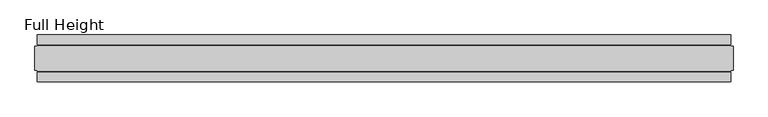
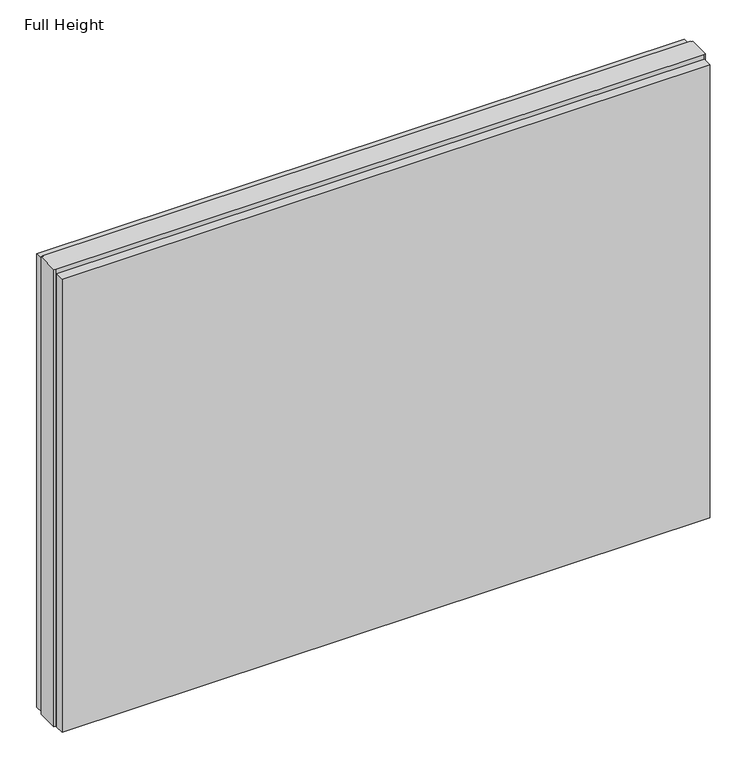
"""IFC4 building model written with IfcOpenShell, lengths in millimetres: plate geometry, Full Height."""

import ifcopenshell
import ifcopenshell.guid

model = None  # the IFC model being written
_history = None  # IfcOwnerHistory: only IFC2X3 demands one
_inside = {}  # id of a spatial element -> (the spatial element, [elements in it])
_under = {}  # id of a project, library or spatial element -> (it, [spatial elements below it])
_declared = {}  # id of a project -> (the project, [libraries it declares])
_typed = {}  # id of a type object -> (the type object, [elements of that type])
_made_of = {}  # id of a material, layer set ... -> (it, [elements and type objects made of it])


def new_model(schema):
    """Start an empty IFC model of exactly this schema.

    Asked for "IFC4X3", IfcOpenShell would pick the latest addendum, in which some entities
    have other attributes; the version numbers below select the first issue.
    IFC2X3 requires an IfcOwnerHistory on every rooted entity: one is made here for all.
    """
    global model, _history
    if schema == "IFC4X3":
        model = ifcopenshell.file(schema_version=(4, 3, 0, 0))
    else:
        model = ifcopenshell.file(schema=schema)
    _inside.clear()
    _under.clear()
    _declared.clear()
    _typed.clear()
    _made_of.clear()
    _history = None
    if model.schema == "IFC2X3":
        org = make("IfcOrganization", Name="unknown")
        user = make(
            "IfcPersonAndOrganization",
            ThePerson=make("IfcPerson", FamilyName="unknown"),
            TheOrganization=org,
        )
        app = make(
            "IfcApplication",
            ApplicationDeveloper=org,
            Version="unknown",
            ApplicationFullName="unknown",
            ApplicationIdentifier="unknown",
        )
        _history = make(
            "IfcOwnerHistory",
            OwningUser=user,
            OwningApplication=app,
            ChangeAction="ADDED",
            CreationDate=0,
        )
    return model


def make(cls, **values):
    """One entity of the class cls with the attributes given. An attribute that is None is left unset."""
    return model.create_entity(
        cls, **{name: value for name, value in values.items() if value is not None}
    )


def rooted(cls, **values):
    """An entity with a GlobalId (a new one), such as an element, a storey or a relation."""
    return make(cls, GlobalId=ifcopenshell.guid.new(), OwnerHistory=_history, **values)


def si_unit(unit_type, name, prefix=None):
    """IfcSIUnit, for example si_unit("LENGTHUNIT", "METRE", prefix="MILLI")."""
    return make("IfcSIUnit", UnitType=unit_type, Prefix=prefix, Name=name)


def assignment(units):
    """IfcUnitAssignment: the units of a project."""
    return None if units is None else make("IfcUnitAssignment", Units=units)


def point(xyz):
    """IfcCartesianPoint."""
    return None if xyz is None else make("IfcCartesianPoint", Coordinates=xyz)


def direction(xyz):
    """IfcDirection."""
    return None if xyz is None else make("IfcDirection", DirectionRatios=xyz)


def frame(location, z_axis=None, x_axis=None):
    """IfcAxis2Placement3D, a coordinate frame: its origin and axes. An axis left out is left unset."""
    return make(
        "IfcAxis2Placement3D",
        Location=point(location),
        Axis=direction(z_axis),
        RefDirection=direction(x_axis),
    )


def origin():
    """The frame at (0, 0, 0) with its axes left unset."""
    return frame((0.0, 0.0, 0.0))


def origin_with_axes():
    """The frame at (0, 0, 0) with the z axis (0, 0, 1) and the x axis (1, 0, 0) written out."""
    return frame((0.0, 0.0, 0.0), z_axis=(0.0, 0.0, 1.0), x_axis=(1.0, 0.0, 0.0))


def place(relative_to, where):
    """IfcLocalPlacement: puts the frame where relative to a parent placement (None: the world)."""
    return make(
        "IfcLocalPlacement", PlacementRelTo=relative_to, RelativePlacement=where
    )


def context(
    kind, dimensions, precision=None, world=None, true_north=None, identifier=None
):
    """IfcGeometricRepresentationContext, for example the 3D "Model" context."""
    return make(
        "IfcGeometricRepresentationContext",
        ContextIdentifier=identifier,
        ContextType=kind,
        CoordinateSpaceDimension=dimensions,
        Precision=precision,
        WorldCoordinateSystem=world,
        TrueNorth=true_north,
    )


def project(units=None, contexts=None):
    """IfcProject with its units and contexts."""
    return rooted(
        "IfcProject",
        Name="project",
        RepresentationContexts=contexts,
        UnitsInContext=assignment(units),
    )


def spatial(cls, under=None, at=None, **own):
    """A site, building, storey or space (cls), placed at a placement, below another one or the project."""
    s = rooted(cls, ObjectPlacement=at, **own)
    if under is not None:
        _under.setdefault(under.id(), (under, []))[1].append(s)
    return s


def polyline(points):
    """IfcPolyline through the points."""
    return make("IfcPolyline", Points=[point(p) for p in points])


def outline(outer, holes=None, kind="AREA"):
    """IfcArbitraryClosedProfileDef: a profile drawn as a closed curve; with holes, ...WithVoids."""
    if holes is None:
        return make("IfcArbitraryClosedProfileDef", ProfileType=kind, OuterCurve=outer)
    return make(
        "IfcArbitraryProfileDefWithVoids",
        ProfileType=kind,
        OuterCurve=outer,
        InnerCurves=holes,
    )


def extrude(swept, where, along, depth):
    """IfcExtrudedAreaSolid: the profile swept, set in the frame where, extruded along a direction by depth."""
    return make(
        "IfcExtrudedAreaSolid",
        SweptArea=swept,
        Position=where,
        ExtrudedDirection=direction(along),
        Depth=depth,
    )


def shape(context_of_items, identifier, shape_type, items):
    """IfcShapeRepresentation: the items that make up one representation, for example the "Body"."""
    return make(
        "IfcShapeRepresentation",
        ContextOfItems=context_of_items,
        RepresentationIdentifier=identifier,
        RepresentationType=shape_type,
        Items=items,
    )


def source(mapping_origin, context_of_items, identifier, shape_type, items):
    """IfcRepresentationMap: a shape defined once, which mapped items show again and again."""
    return make(
        "IfcRepresentationMap",
        MappingOrigin=mapping_origin,
        MappedRepresentation=shape(context_of_items, identifier, shape_type, items),
    )


def transform(
    local_origin,
    x_axis=None,
    y_axis=None,
    z_axis=None,
    scale=None,
    scale2=None,
    scale3=None,
    uniform=True,
):
    """IfcCartesianTransformationOperator3D, or its non-uniform kind. x_axis, y_axis, z_axis: its Axis1, 2, 3."""
    if uniform:
        return make(
            "IfcCartesianTransformationOperator3D",
            Axis1=direction(x_axis),
            Axis2=direction(y_axis),
            LocalOrigin=point(local_origin),
            Scale=scale,
            Axis3=direction(z_axis),
        )
    return make(
        "IfcCartesianTransformationOperator3DnonUniform",
        Axis1=direction(x_axis),
        Axis2=direction(y_axis),
        LocalOrigin=point(local_origin),
        Scale=scale,
        Axis3=direction(z_axis),
        Scale2=scale2,
        Scale3=scale3,
    )


def mapped(mapping_source, mapping_target):
    """IfcMappedItem: shows the shape of a source again, moved by a transform."""
    return make(
        "IfcMappedItem", MappingSource=mapping_source, MappingTarget=mapping_target
    )


def made_of(thing, what):
    """Note that an element or type object is made of a material, layer set ...; save() writes the relation."""
    if what is not None:
        _made_of.setdefault(what.id(), (what, []))[1].append(thing)
    return thing


def element(
    cls,
    number,
    at=None,
    inside=None,
    cuts=None,
    type_object=None,
    material=None,
    context=None,
    identifier="Body",
    shape_type=None,
    held_by="IfcProductDefinitionShape",
    body=None,
    shapes=None,
    **own,
):
    """One element of the class cls, such as IfcWall. Its Tag is "e" and its number.

    at: its placement. inside: the storey or other place that contains it. cuts: it is an
    opening in that element (IfcRelVoidsElement). A single representation is given by context,
    identifier, shape_type and body (its items); several are given by shapes. held_by: the class
    of the entity that holds the representations. save() writes the other relations.
    """
    e = rooted(cls, Tag="e%d" % number, ObjectPlacement=at, **own)
    if body is not None:
        shapes = [shape(context, identifier, shape_type, body)]
    if shapes is not None:
        e.Representation = make(held_by, Representations=shapes)
    if inside is not None:
        _inside.setdefault(inside.id(), (inside, []))[1].append(e)
    if cuts is not None:
        rooted(
            "IfcRelVoidsElement", RelatingBuildingElement=cuts, RelatedOpeningElement=e
        )
    if type_object is not None:
        _typed.setdefault(type_object.id(), (type_object, []))[1].append(e)
    return made_of(e, material)


def aggregate(whole, parts):
    """IfcRelAggregates: a whole, such as a stair, and the parts it consists of."""
    return rooted("IfcRelAggregates", RelatingObject=whole, RelatedObjects=parts)


def save(model, path):
    """Write the relations noted so far, then the file.

    IfcRelAggregates (storeys below a building ...), IfcRelContainedInSpatialStructure (elements
    in a storey), IfcRelDefinesByType, IfcRelAssociatesMaterial and IfcRelDeclares: one each for
    every whole, place, type object, material and project.
    """
    for whole, parts in _under.values():
        aggregate(whole, parts)
    for where, things in _inside.values():
        rooted(
            "IfcRelContainedInSpatialStructure",
            RelatedElements=things,
            RelatingStructure=where,
        )
    for kind, things in _typed.values():
        rooted("IfcRelDefinesByType", RelatedObjects=things, RelatingType=kind)
    for what, things in _made_of.values():
        rooted("IfcRelAssociatesMaterial", RelatedObjects=things, RelatingMaterial=what)
    for by, libraries in _declared.values():
        rooted("IfcRelDeclares", RelatingContext=by, RelatedDefinitions=libraries)
    model.write(path)


def full_height_9b526540(model_context):
    return source(origin(), model_context, "Body", "SweptSolid", [
        extrude(outline(polyline([(732.028, 28.956), (-732.028, 28.956), (-732.028, 49.53), (732.028, 49.53), (732.028, 28.956)])), origin_with_axes(), (0.0, 0.0, 1.0), 1083.056),
        extrude(outline(polyline([(732.028, -28.956), (732.028, -49.53), (-732.028, -49.53), (-732.028, -28.956), (732.028, -28.956)])), origin_with_axes(), (0.0, 0.0, 1.0), 1083.056),
        extrude(outline(polyline([(732.028, -25.146), (732.028, -26.67), (-732.028, -26.67), (-732.028, -25.146), (-736.6, -25.146), (-736.6, 25.146), (-732.028, 25.146), (-732.028, 26.67), (732.028, 26.67), (732.028, 25.146), (736.6, 25.146), (736.6, -25.146), (732.028, -25.146)])), origin_with_axes(), (0.0, 0.0, 1.0), 1092.2),
    ])


if __name__ == "__main__":
    model = new_model("IFC4")
    model_context = context("Model", 3, world=origin())
    ifc_project = project(units=[si_unit("LENGTHUNIT", "METRE", prefix="MILLI")], contexts=[model_context])
    site = spatial("IfcSite", under=ifc_project)
    building = spatial("IfcBuilding", under=site)
    placement = place(None, origin())
    full_height_shape = full_height_9b526540(model_context)
    element("IfcPlate", 1, ObjectType="Full Height", at=placement, inside=building, context=model_context, shape_type="MappedRepresentation", body=[
        mapped(full_height_shape, transform((0.0, 0.0, 0.0), x_axis=(1.0, 0.0, 0.0), y_axis=(0.0, 1.0, 0.0), z_axis=(0.0, 0.0, 1.0))),
    ])
    save(model, "model.ifc")
